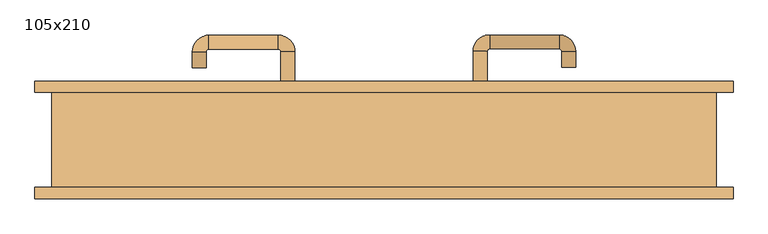
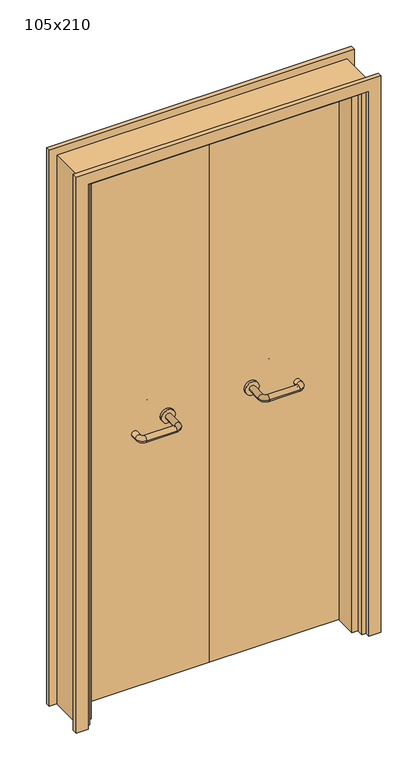
"""IFC4 building model written with IfcOpenShell, lengths in millimetres: door geometry, 105x210."""

import ifcopenshell
import ifcopenshell.guid

model = None  # the IFC model being written
_history = None  # IfcOwnerHistory: only IFC2X3 demands one
_inside = {}  # id of a spatial element -> (the spatial element, [elements in it])
_under = {}  # id of a project, library or spatial element -> (it, [spatial elements below it])
_declared = {}  # id of a project -> (the project, [libraries it declares])
_typed = {}  # id of a type object -> (the type object, [elements of that type])
_made_of = {}  # id of a material, layer set ... -> (it, [elements and type objects made of it])


def new_model(schema):
    """Start an empty IFC model of exactly this schema.

    Asked for "IFC4X3", IfcOpenShell would pick the latest addendum, in which some entities
    have other attributes; the version numbers below select the first issue.
    IFC2X3 requires an IfcOwnerHistory on every rooted entity: one is made here for all.
    """
    global model, _history
    if schema == "IFC4X3":
        model = ifcopenshell.file(schema_version=(4, 3, 0, 0))
    else:
        model = ifcopenshell.file(schema=schema)
    _inside.clear()
    _under.clear()
    _declared.clear()
    _typed.clear()
    _made_of.clear()
    _history = None
    if model.schema == "IFC2X3":
        org = make("IfcOrganization", Name="unknown")
        user = make(
            "IfcPersonAndOrganization",
            ThePerson=make("IfcPerson", FamilyName="unknown"),
            TheOrganization=org,
        )
        app = make(
            "IfcApplication",
            ApplicationDeveloper=org,
            Version="unknown",
            ApplicationFullName="unknown",
            ApplicationIdentifier="unknown",
        )
        _history = make(
            "IfcOwnerHistory",
            OwningUser=user,
            OwningApplication=app,
            ChangeAction="ADDED",
            CreationDate=0,
        )
    return model


def make(cls, **values):
    """One entity of the class cls with the attributes given. An attribute that is None is left unset."""
    return model.create_entity(
        cls, **{name: value for name, value in values.items() if value is not None}
    )


def rooted(cls, **values):
    """An entity with a GlobalId (a new one), such as an element, a storey or a relation."""
    return make(cls, GlobalId=ifcopenshell.guid.new(), OwnerHistory=_history, **values)


def si_unit(unit_type, name, prefix=None):
    """IfcSIUnit, for example si_unit("LENGTHUNIT", "METRE", prefix="MILLI")."""
    return make("IfcSIUnit", UnitType=unit_type, Prefix=prefix, Name=name)


def assignment(units):
    """IfcUnitAssignment: the units of a project."""
    return None if units is None else make("IfcUnitAssignment", Units=units)


def point(xyz):
    """IfcCartesianPoint."""
    return None if xyz is None else make("IfcCartesianPoint", Coordinates=xyz)


def direction(xyz):
    """IfcDirection."""
    return None if xyz is None else make("IfcDirection", DirectionRatios=xyz)


def frame(location, z_axis=None, x_axis=None):
    """IfcAxis2Placement3D, a coordinate frame: its origin and axes. An axis left out is left unset."""
    return make(
        "IfcAxis2Placement3D",
        Location=point(location),
        Axis=direction(z_axis),
        RefDirection=direction(x_axis),
    )


def frame_2d(location, x_axis=None):
    """IfcAxis2Placement2D, a coordinate frame in the plane: its origin and x axis."""
    return make(
        "IfcAxis2Placement2D", Location=point(location), RefDirection=direction(x_axis)
    )


def origin():
    """The frame at (0, 0, 0) with its axes left unset."""
    return frame((0.0, 0.0, 0.0))


def place(relative_to, where):
    """IfcLocalPlacement: puts the frame where relative to a parent placement (None: the world)."""
    return make(
        "IfcLocalPlacement", PlacementRelTo=relative_to, RelativePlacement=where
    )


def context(
    kind, dimensions, precision=None, world=None, true_north=None, identifier=None
):
    """IfcGeometricRepresentationContext, for example the 3D "Model" context."""
    return make(
        "IfcGeometricRepresentationContext",
        ContextIdentifier=identifier,
        ContextType=kind,
        CoordinateSpaceDimension=dimensions,
        Precision=precision,
        WorldCoordinateSystem=world,
        TrueNorth=true_north,
    )


def project(units=None, contexts=None):
    """IfcProject with its units and contexts."""
    return rooted(
        "IfcProject",
        Name="project",
        RepresentationContexts=contexts,
        UnitsInContext=assignment(units),
    )


def spatial(cls, under=None, at=None, **own):
    """A site, building, storey or space (cls), placed at a placement, below another one or the project."""
    s = rooted(cls, ObjectPlacement=at, **own)
    if under is not None:
        _under.setdefault(under.id(), (under, []))[1].append(s)
    return s


def polyline(points):
    """IfcPolyline through the points."""
    return make("IfcPolyline", Points=[point(p) for p in points])


def circle_curve(where, radius):
    """IfcCircle in the frame where."""
    return make("IfcCircle", Position=where, Radius=radius)


def ellipse_curve(where, semi_axis1, semi_axis2):
    """IfcEllipse in the frame where."""
    return make(
        "IfcEllipse", Position=where, SemiAxis1=semi_axis1, SemiAxis2=semi_axis2
    )


def trimmed(basis, trim1, trim2, sense, master):
    """IfcTrimmedCurve: the piece of a basis curve between two trims."""
    return make(
        "IfcTrimmedCurve",
        BasisCurve=basis,
        Trim1=trim1,
        Trim2=trim2,
        SenseAgreement=sense,
        MasterRepresentation=master,
    )


def segment(curve, same_sense, transition):
    """IfcCompositeCurveSegment."""
    return make(
        "IfcCompositeCurveSegment",
        Transition=transition,
        SameSense=same_sense,
        ParentCurve=curve,
    )


def composite_curve(segments, self_intersect=None):
    """IfcCompositeCurve: segments joined end to end."""
    return make("IfcCompositeCurve", Segments=segments, SelfIntersect=self_intersect)


def outline(outer, holes=None, kind="AREA"):
    """IfcArbitraryClosedProfileDef: a profile drawn as a closed curve; with holes, ...WithVoids."""
    if holes is None:
        return make("IfcArbitraryClosedProfileDef", ProfileType=kind, OuterCurve=outer)
    return make(
        "IfcArbitraryProfileDefWithVoids",
        ProfileType=kind,
        OuterCurve=outer,
        InnerCurves=holes,
    )


def extrude(swept, where, along, depth):
    """IfcExtrudedAreaSolid: the profile swept, set in the frame where, extruded along a direction by depth."""
    return make(
        "IfcExtrudedAreaSolid",
        SweptArea=swept,
        Position=where,
        ExtrudedDirection=direction(along),
        Depth=depth,
    )


def faces_of(points, faces, orient=None, outer=None):
    """IfcFace entities. A face is a list of loops; a loop is a list of indices into points, from 0.

    orient and outer hold one flag for each loop. By default every Orientation is true, the
    first loop of a face is its IfcFaceOuterBound and the others are IfcFaceBound.
    """
    made = []
    for i, loops in enumerate(faces):
        bounds = []
        for j, loop in enumerate(loops):
            is_outer = j == 0 if outer is None else outer[i][j]
            bounds.append(
                make(
                    "IfcFaceOuterBound" if is_outer else "IfcFaceBound",
                    Bound=make("IfcPolyLoop", Polygon=[points[k] for k in loop]),
                    Orientation=True if orient is None else orient[i][j],
                )
            )
        made.append(make("IfcFace", Bounds=bounds))
    return made


def faceted_brep(points, faces, orient=None, outer=None, voids=None):
    """IfcFacetedBrep: a solid bounded by flat faces; with voids (closed shells), ...WithVoids."""
    shared = [point(p) for p in points]
    hull = make("IfcClosedShell", CfsFaces=faces_of(shared, faces, orient, outer))
    if voids is None:
        return make("IfcFacetedBrep", Outer=hull)
    return make(
        "IfcFacetedBrepWithVoids",
        Outer=hull,
        Voids=[
            make(cls, CfsFaces=faces_of(shared, fs, o, b)) for cls, fs, o, b in voids
        ],
    )


def shape(context_of_items, identifier, shape_type, items):
    """IfcShapeRepresentation: the items that make up one representation, for example the "Body"."""
    return make(
        "IfcShapeRepresentation",
        ContextOfItems=context_of_items,
        RepresentationIdentifier=identifier,
        RepresentationType=shape_type,
        Items=items,
    )


def source(mapping_origin, context_of_items, identifier, shape_type, items):
    """IfcRepresentationMap: a shape defined once, which mapped items show again and again."""
    return make(
        "IfcRepresentationMap",
        MappingOrigin=mapping_origin,
        MappedRepresentation=shape(context_of_items, identifier, shape_type, items),
    )


def transform(
    local_origin,
    x_axis=None,
    y_axis=None,
    z_axis=None,
    scale=None,
    scale2=None,
    scale3=None,
    uniform=True,
):
    """IfcCartesianTransformationOperator3D, or its non-uniform kind. x_axis, y_axis, z_axis: its Axis1, 2, 3."""
    if uniform:
        return make(
            "IfcCartesianTransformationOperator3D",
            Axis1=direction(x_axis),
            Axis2=direction(y_axis),
            LocalOrigin=point(local_origin),
            Scale=scale,
            Axis3=direction(z_axis),
        )
    return make(
        "IfcCartesianTransformationOperator3DnonUniform",
        Axis1=direction(x_axis),
        Axis2=direction(y_axis),
        LocalOrigin=point(local_origin),
        Scale=scale,
        Axis3=direction(z_axis),
        Scale2=scale2,
        Scale3=scale3,
    )


def mapped(mapping_source, mapping_target):
    """IfcMappedItem: shows the shape of a source again, moved by a transform."""
    return make(
        "IfcMappedItem", MappingSource=mapping_source, MappingTarget=mapping_target
    )


def made_of(thing, what):
    """Note that an element or type object is made of a material, layer set ...; save() writes the relation."""
    if what is not None:
        _made_of.setdefault(what.id(), (what, []))[1].append(thing)
    return thing


def element(
    cls,
    number,
    at=None,
    inside=None,
    cuts=None,
    type_object=None,
    material=None,
    context=None,
    identifier="Body",
    shape_type=None,
    held_by="IfcProductDefinitionShape",
    body=None,
    shapes=None,
    **own,
):
    """One element of the class cls, such as IfcWall. Its Tag is "e" and its number.

    at: its placement. inside: the storey or other place that contains it. cuts: it is an
    opening in that element (IfcRelVoidsElement). A single representation is given by context,
    identifier, shape_type and body (its items); several are given by shapes. held_by: the class
    of the entity that holds the representations. save() writes the other relations.
    """
    e = rooted(cls, Tag="e%d" % number, ObjectPlacement=at, **own)
    if body is not None:
        shapes = [shape(context, identifier, shape_type, body)]
    if shapes is not None:
        e.Representation = make(held_by, Representations=shapes)
    if inside is not None:
        _inside.setdefault(inside.id(), (inside, []))[1].append(e)
    if cuts is not None:
        rooted(
            "IfcRelVoidsElement", RelatingBuildingElement=cuts, RelatedOpeningElement=e
        )
    if type_object is not None:
        _typed.setdefault(type_object.id(), (type_object, []))[1].append(e)
    return made_of(e, material)


def aggregate(whole, parts):
    """IfcRelAggregates: a whole, such as a stair, and the parts it consists of."""
    return rooted("IfcRelAggregates", RelatingObject=whole, RelatedObjects=parts)


def save(model, path):
    """Write the relations noted so far, then the file.

    IfcRelAggregates (storeys below a building ...), IfcRelContainedInSpatialStructure (elements
    in a storey), IfcRelDefinesByType, IfcRelAssociatesMaterial and IfcRelDeclares: one each for
    every whole, place, type object, material and project.
    """
    for whole, parts in _under.values():
        aggregate(whole, parts)
    for where, things in _inside.values():
        rooted(
            "IfcRelContainedInSpatialStructure",
            RelatedElements=things,
            RelatingStructure=where,
        )
    for kind, things in _typed.values():
        rooted("IfcRelDefinesByType", RelatedObjects=things, RelatingType=kind)
    for what, things in _made_of.values():
        rooted("IfcRelAssociatesMaterial", RelatedObjects=things, RelatingMaterial=what)
    for by, libraries in _declared.values():
        rooted("IfcRelDeclares", RelatingContext=by, RelatedDefinitions=libraries)
    model.write(path)


def plane_surface(at):
    """IfcPlane: the flat surface through the origin of the frame at, square to its z axis."""
    return make("IfcPlane", Position=at)


def cylinder_surface(at, radius):
    """IfcCylindricalSurface: all points at the distance radius from the z axis of the frame at."""
    return make("IfcCylindricalSurface", Position=at, Radius=radius)


def revolved_surface(curve, axis_point, axis_direction):
    """IfcSurfaceOfRevolution: the curve turned about the line through axis_point along axis_direction."""
    return make(
        "IfcSurfaceOfRevolution",
        SweptCurve=make("IfcArbitraryOpenProfileDef", ProfileType="CURVE", Curve=curve),
        AxisPosition=make("IfcAxis1Placement", Location=point(axis_point), Axis=direction(axis_direction)),
    )


def advanced_brep(points, edges, surfaces, faces):
    """IfcAdvancedBrep: a solid bounded by faces that lie on surfaces and meet in shared edges.

    An edge is (start, end): straight between two places in points (the first is 0);
    or (start, end, curve); or (start, end, curve, False) where it runs against its curve.
    A face is (place in surfaces, loops), or (place, loops, False) where it looks against
    its surface's normal. A loop lists edges by number (the first is 1), with a minus sign
    where the edge is run from its end to its start. The first loop is the outer one.
    """
    corners = [point(p) for p in points]
    vertices = [make("IfcVertexPoint", VertexGeometry=c) for c in corners]
    made = []
    for start, end, *more in edges:
        made.append(
            make(
                "IfcEdgeCurve",
                EdgeStart=vertices[start],
                EdgeEnd=vertices[end],
                EdgeGeometry=more[0] if more else make("IfcPolyline", Points=[corners[start], corners[end]]),
                SameSense=more[1] if len(more) > 1 else True,
            )
        )
    hull = []
    for where, loops, *sense in faces:
        bounds = []
        for j, loop in enumerate(loops):
            ring = [make("IfcOrientedEdge", EdgeElement=made[abs(k) - 1], Orientation=k > 0) for k in loop]
            bounds.append(
                make(
                    "IfcFaceOuterBound" if j == 0 else "IfcFaceBound",
                    Bound=make("IfcEdgeLoop", EdgeList=ring),
                    Orientation=True,
                )
            )
        hull.append(make("IfcAdvancedFace", Bounds=bounds, FaceSurface=surfaces[where], SameSense=sense[0] if sense else True))
    return make("IfcAdvancedBrep", Outer=make("IfcClosedShell", CfsFaces=hull))


def door_105x210_c1347715(model_context):
    return source(origin(), model_context, "Body", "SolidModel", [
        faceted_brep([(-472.0, 28.0, 0.0), (-472.0, -50.0, 0.0), (-493.0, -50.0, 0.0), (-493.0, 28.0, 0.0), (-472.0, 28.0, 2047.0), (-472.0, -50.0, 2047.0), (-493.0, -50.0, 2068.0), (-493.0, 28.0, 2068.0), (472.0, 28.0, 0.0), (493.0, 28.0, 0.0), (493.0, -50.0, 0.0), (472.0, -50.0, 0.0), (472.0, 28.0, 2047.0), (493.0, 28.0, 2068.0), (493.0, -50.0, 2068.0), (472.0, -50.0, 2047.0)], [[[0, 1, 2, 3]], [[1, 0, 4, 5]], [[2, 1, 5, 6]], [[3, 2, 6, 7]], [[0, 3, 7, 4]], [[8, 9, 10, 11]], [[12, 13, 9, 8]], [[13, 14, 10, 9]], [[14, 15, 11, 10]], [[15, 12, 8, 11]], [[5, 4, 12, 15]], [[6, 5, 15, 14]], [[7, 6, 14, 13]], [[4, 7, 13, 12]]]),
        extrude(outline(polyline([(2127.0, 552.0), (2127.0, -552.0), (0.0, -552.0), (0.0, -508.0), (2083.0, -508.0), (2083.0, 508.0), (0.0, 508.0), (0.0, 552.0), (2127.0, 552.0)])), frame((0.0, 75.0, 0.0), z_axis=(0.0, 1.0, 0.0), x_axis=(0.0, 0.0, 1.0)), (0.0, 0.0, 1.0), 18.0),
        extrude(outline(polyline([(2127.0, -552.0), (0.0, -552.0), (0.0, -508.0), (2083.0, -508.0), (2083.0, 508.0), (0.0, 508.0), (0.0, 552.0), (2127.0, 552.0), (2127.0, -552.0)])), frame((0.0, -93.0, 0.0), z_axis=(0.0, 1.0, 0.0), x_axis=(0.0, 0.0, 1.0)), (0.0, 0.0, 1.0), 18.0),
        extrude(outline(polyline([(2100.0, -525.0), (0.0, -525.0), (0.0, -493.0), (2068.0, -493.0), (2068.0, 493.0), (0.0, 493.0), (0.0, 525.0), (2100.0, 525.0), (2100.0, -525.0)])), frame((0.0, -75.0, 0.0), z_axis=(0.0, 1.0, 0.0), x_axis=(0.0, 0.0, 1.0)), (0.0, 0.0, 1.0), 150.0),
        extrude(outline(polyline([(1.0739506, 31.0), (-490.0, 31.0), (-490.0, 75.0), (1.0739506, 75.0), (1.0739506, 31.0)])), frame((0.0, 0.0, 1.753223), z_axis=(0.0, 0.0, 1.0), x_axis=(1.0, 0.0, 0.0)), (0.0, 0.0, 1.0), 2057.246777),
        extrude(outline(polyline([(490.0, 31.0), (1.0739506, 31.0), (1.0739506, 75.0), (490.0, 75.0), (490.0, 31.0)])), frame((0.0, 0.0, 1.753223), z_axis=(0.0, 0.0, 1.0), x_axis=(1.0, 0.0, 0.0)), (0.0, 0.0, 1.0), 2066.246777),
        extrude(outline(polyline([(2100.0, -525.0), (0.0, -525.0), (0.0, -493.0), (2068.0, -493.0), (2068.0, 493.0), (0.0, 493.0), (0.0, 525.0), (2100.0, 525.0), (2100.0, -525.0)])), frame((0.0, -75.0, 0.0), z_axis=(0.0, 1.0, 0.0), x_axis=(0.0, 0.0, 1.0)), (0.0, 0.0, 1.0), 150.0),
        advanced_brep(
        [(140.99898, 21.0, 1003.0), (162.99898, 21.0, 1003.0), (140.99898, -34.3525369, 1003.0), (162.99898, -34.3525369, 1003.0), (166.99898, -38.3525369, 1003.0), (166.99898, -60.3525369, 1003.0), (276.99898, -60.3525369, 1003.0), (276.99898, -38.3525369, 1003.0), (280.99898, -34.3525369, 1003.0), (302.99898, -34.3525369, 1003.0), (302.99898, -17.0, 1003.0), (280.99898, -17.0, 1003.0)],
        [
            (0, 1, circle_curve(frame((151.99898, 21.0, 1003.0), z_axis=(0.0, 1.0, 0.0), x_axis=(1.0, 0.0, 0.0)), 11.0)),
            (1, 0, circle_curve(frame((151.99898, 21.0, 1003.0), z_axis=(0.0, 1.0, 0.0), x_axis=(1.0, 0.0, 0.0)), 11.0)),
            (0, 2),
            (2, 3, circle_curve(frame((151.99898, -34.3525369, 1003.0), z_axis=(0.0, 1.0, 0.0), x_axis=(1.0, 0.0, 0.0)), 11.0)),
            (3, 1),
            (3, 2, circle_curve(frame((151.99898, -34.3525369, 1003.0), z_axis=(0.0, 1.0, 0.0), x_axis=(1.0, 0.0, 0.0)), 11.0)),
            (4, 3, circle_curve(frame((166.99898, -34.3525369, 1003.0), z_axis=(0.0, 0.0, -1.0), x_axis=(-1.0, 0.0, 0.0)), 4.0)),
            (2, 5, circle_curve(frame((166.99898, -34.3525369, 1003.0), z_axis=(0.0, 0.0, 1.0), x_axis=(-1.0, 0.0, 0.0)), 26.0)),
            (5, 4, circle_curve(frame((166.99898, -49.3525369, 1003.0), z_axis=(-1.0, 0.0, 0.0), x_axis=(0.0, 1.0, 0.0)), 11.0)),
            (4, 5, circle_curve(frame((166.99898, -49.3525369, 1003.0), z_axis=(-1.0, 0.0, 0.0), x_axis=(0.0, 1.0, 0.0)), 11.0)),
            (5, 6),
            (6, 7, circle_curve(frame((276.99898, -49.3525369, 1003.0), z_axis=(-1.0, 0.0, 0.0), x_axis=(0.0, 1.0, 0.0)), 11.0)),
            (7, 4),
            (7, 6, circle_curve(frame((276.99898, -49.3525369, 1003.0), z_axis=(-1.0, 0.0, 0.0), x_axis=(0.0, 1.0, 0.0)), 11.0)),
            (8, 7, circle_curve(frame((276.99898, -34.3525369, 1003.0), z_axis=(0.0, 0.0, -1.0), x_axis=(0.0, -1.0, 0.0)), 4.0)),
            (6, 9, circle_curve(frame((276.99898, -34.3525369, 1003.0), z_axis=(0.0, 0.0, 1.0), x_axis=(0.0, -1.0, 0.0)), 26.0)),
            (9, 8, circle_curve(frame((291.99898, -34.3525369, 1003.0), z_axis=(0.0, -1.0, 0.0), x_axis=(-1.0, 0.0, 0.0)), 11.0)),
            (8, 9, circle_curve(frame((291.99898, -34.3525369, 1003.0), z_axis=(0.0, -1.0, 0.0), x_axis=(-1.0, 0.0, 0.0)), 11.0)),
            (10, 11, circle_curve(frame((291.99898, -17.0, 1003.0), z_axis=(0.0, 1.0, 0.0), x_axis=(-1.0, 0.0, 0.0)), 11.0)),
            (11, 10, circle_curve(frame((291.99898, -17.0, 1003.0), z_axis=(0.0, 1.0, 0.0), x_axis=(-1.0, 0.0, 0.0)), 11.0)),
            (9, 10),
            (11, 8),
        ],
        [
            plane_surface(frame((140.99898, 21.0, 1003.0), z_axis=(0.0, 1.0, 0.0), x_axis=(0.0, 0.0, -1.0))),
            cylinder_surface(frame((151.99898, 21.0, 1003.0), z_axis=(0.0, 1.0, 0.0), x_axis=(1.0, 0.0, 0.0)), 11.0),
            revolved_surface(trimmed(ellipse_curve(frame((151.99898, -34.3525369, 1003.0), z_axis=(0.0, 1.0, 0.0), x_axis=(1.0, 0.0, 0.0)), 11.0, 11.0), [point((140.99898, -34.3525369, 1003.0))], [point((162.99898, -34.3525369, 1003.0))], True, "CARTESIAN"), (166.99898, -34.3525369, 1003.0), (0.0, 0.0, 1.0)),
            revolved_surface(trimmed(ellipse_curve(frame((151.99898, -34.3525369, 1003.0), z_axis=(0.0, 1.0, 0.0), x_axis=(1.0, 0.0, 0.0)), 11.0, 11.0), [point((162.99898, -34.3525369, 1003.0))], [point((140.99898, -34.3525369, 1003.0))], True, "CARTESIAN"), (166.99898, -34.3525369, 1003.0), (0.0, 0.0, 1.0)),
            cylinder_surface(frame((166.99898, -49.3525369, 1003.0), z_axis=(-1.0, 0.0, 0.0), x_axis=(0.0, 1.0, 0.0)), 11.0),
            revolved_surface(trimmed(ellipse_curve(frame((276.99898, -49.3525369, 1003.0), z_axis=(-1.0, 0.0, 0.0), x_axis=(0.0, 1.0, 0.0)), 11.0, 11.0), [point((276.99898, -60.3525369, 1003.0))], [point((276.99898, -38.3525369, 1003.0))], True, "CARTESIAN"), (276.99898, -34.3525369, 1003.0), (0.0, 0.0, 1.0)),
            revolved_surface(trimmed(ellipse_curve(frame((276.99898, -49.3525369, 1003.0), z_axis=(-1.0, 0.0, 0.0), x_axis=(0.0, 1.0, 0.0)), 11.0, 11.0), [point((276.99898, -38.3525369, 1003.0))], [point((276.99898, -60.3525369, 1003.0))], True, "CARTESIAN"), (276.99898, -34.3525369, 1003.0), (0.0, 0.0, 1.0)),
            plane_surface(frame((280.99898, -17.0, 1003.0), z_axis=(0.0, 1.0, 0.0), x_axis=(0.0, 0.0, 1.0))),
            cylinder_surface(frame((291.99898, -34.3525369, 1003.0), z_axis=(0.0, -1.0, 0.0), x_axis=(-1.0, 0.0, 0.0)), 11.0),
        ],
        [
            (0, [[1, 2]]),
            (1, [[-1, 3, 4, 5]]),
            (1, [[-2, -5, 6, -3]]),
            (2, [[7, -4, 8, 9]]),
            (3, [[-8, -6, -7, 10]]),
            (4, [[-9, 11, 12, 13]]),
            (4, [[-10, -13, 14, -11]]),
            (5, [[15, -12, 16, 17]]),
            (6, [[-16, -14, -15, 18]]),
            (7, [[19, 20]]),
            (8, [[-17, 21, -20, 22]]),
            (8, [[-18, -22, -19, -21]]),
        ],
    ),
        extrude(outline(composite_curve([segment(trimmed(circle_curve(frame_2d((1003.0, 151.99898)), 25.0), [point((1003.0, 126.99898))], [point((1003.0, 176.99898))], False, "CARTESIAN"), True, "CONTINUOUS"), segment(trimmed(circle_curve(frame_2d((1003.0, 151.99898)), 25.0), [point((1003.0, 176.99898))], [point((1003.0, 126.99898))], False, "CARTESIAN"), True, "CONTINUOUS")], self_intersect=False)), frame((0.0, 21.0, 0.0), z_axis=(0.0, 1.0, 0.0), x_axis=(0.0, 0.0, 1.0)), (0.0, 0.0, 1.0), 10.0),
        advanced_brep(
        [(162.99898, 85.0, 1003.0), (140.99898, 85.0, 1003.0), (162.99898, 140.0, 1003.0), (140.99898, 140.0, 1003.0), (166.99898, 166.0, 1003.0), (166.99898, 144.0, 1003.0), (276.99898, 144.0, 1003.0), (276.99898, 166.0, 1003.0), (302.99898, 140.0, 1003.0), (280.99898, 140.0, 1003.0), (280.99898, 115.0, 1003.0), (302.99898, 115.0, 1003.0)],
        [
            (0, 1, circle_curve(frame((151.99898, 85.0, 1003.0), z_axis=(0.0, -1.0, 0.0), x_axis=(-1.0, 0.0, 0.0)), 11.0)),
            (1, 0, circle_curve(frame((151.99898, 85.0, 1003.0), z_axis=(0.0, -1.0, 0.0), x_axis=(-1.0, 0.0, 0.0)), 11.0)),
            (0, 2),
            (2, 3, circle_curve(frame((151.99898, 140.0, 1003.0), z_axis=(0.0, -1.0, 0.0), x_axis=(-1.0, 0.0, 0.0)), 11.0)),
            (3, 1),
            (3, 2, circle_curve(frame((151.99898, 140.0, 1003.0), z_axis=(0.0, -1.0, 0.0), x_axis=(-1.0, 0.0, 0.0)), 11.0)),
            (4, 3, circle_curve(frame((166.99898, 140.0, 1003.0), z_axis=(0.0, 0.0, 1.0), x_axis=(-1.0, 0.0, 0.0)), 26.0)),
            (2, 5, circle_curve(frame((166.99898, 140.0, 1003.0), z_axis=(0.0, 0.0, -1.0), x_axis=(-1.0, 0.0, 0.0)), 4.0)),
            (5, 4, circle_curve(frame((166.99898, 155.0, 1003.0), z_axis=(-1.0, 0.0, 0.0), x_axis=(0.0, 1.0, 0.0)), 11.0)),
            (4, 5, circle_curve(frame((166.99898, 155.0, 1003.0), z_axis=(-1.0, 0.0, 0.0), x_axis=(0.0, 1.0, 0.0)), 11.0)),
            (5, 6),
            (6, 7, circle_curve(frame((276.99898, 155.0, 1003.0), z_axis=(-1.0, 0.0, 0.0), x_axis=(0.0, 1.0, 0.0)), 11.0)),
            (7, 4),
            (7, 6, circle_curve(frame((276.99898, 155.0, 1003.0), z_axis=(-1.0, 0.0, 0.0), x_axis=(0.0, 1.0, 0.0)), 11.0)),
            (8, 7, circle_curve(frame((276.99898, 140.0, 1003.0), z_axis=(0.0, 0.0, 1.0), x_axis=(0.0, 1.0, 0.0)), 26.0)),
            (6, 9, circle_curve(frame((276.99898, 140.0, 1003.0), z_axis=(0.0, 0.0, -1.0), x_axis=(0.0, 1.0, 0.0)), 4.0)),
            (9, 8, circle_curve(frame((291.99898, 140.0, 1003.0), z_axis=(0.0, 1.0, 0.0), x_axis=(1.0, 0.0, 0.0)), 11.0)),
            (8, 9, circle_curve(frame((291.99898, 140.0, 1003.0), z_axis=(0.0, 1.0, 0.0), x_axis=(1.0, 0.0, 0.0)), 11.0)),
            (10, 11, circle_curve(frame((291.99898, 115.0, 1003.0), z_axis=(0.0, -1.0, 0.0), x_axis=(1.0, 0.0, 0.0)), 11.0)),
            (11, 10, circle_curve(frame((291.99898, 115.0, 1003.0), z_axis=(0.0, -1.0, 0.0), x_axis=(1.0, 0.0, 0.0)), 11.0)),
            (9, 10),
            (11, 8),
        ],
        [
            plane_surface(frame((140.99898, 85.0, 1003.0), z_axis=(0.0, -1.0, 0.0), x_axis=(0.0, 0.0, 1.0))),
            cylinder_surface(frame((151.99898, 85.0, 1003.0), z_axis=(0.0, -1.0, 0.0), x_axis=(-1.0, 0.0, 0.0)), 11.0),
            revolved_surface(trimmed(ellipse_curve(frame((151.99898, 140.0, 1003.0), z_axis=(0.0, -1.0, 0.0), x_axis=(-1.0, 0.0, 0.0)), 11.0, 11.0), [point((162.99898, 140.0, 1003.0))], [point((140.99898, 140.0, 1003.0))], True, "CARTESIAN"), (166.99898, 140.0, 1003.0), (0.0, 0.0, -1.0)),
            revolved_surface(trimmed(ellipse_curve(frame((151.99898, 140.0, 1003.0), z_axis=(0.0, -1.0, 0.0), x_axis=(-1.0, 0.0, 0.0)), 11.0, 11.0), [point((140.99898, 140.0, 1003.0))], [point((162.99898, 140.0, 1003.0))], True, "CARTESIAN"), (166.99898, 140.0, 1003.0), (0.0, 0.0, -1.0)),
            cylinder_surface(frame((166.99898, 155.0, 1003.0), z_axis=(-1.0, 0.0, 0.0), x_axis=(0.0, 1.0, 0.0)), 11.0),
            revolved_surface(trimmed(ellipse_curve(frame((276.99898, 155.0, 1003.0), z_axis=(-1.0, 0.0, 0.0), x_axis=(0.0, 1.0, 0.0)), 11.0, 11.0), [point((276.99898, 144.0, 1003.0))], [point((276.99898, 166.0, 1003.0))], True, "CARTESIAN"), (276.99898, 140.0, 1003.0), (0.0, 0.0, -1.0)),
            revolved_surface(trimmed(ellipse_curve(frame((276.99898, 155.0, 1003.0), z_axis=(-1.0, 0.0, 0.0), x_axis=(0.0, 1.0, 0.0)), 11.0, 11.0), [point((276.99898, 166.0, 1003.0))], [point((276.99898, 144.0, 1003.0))], True, "CARTESIAN"), (276.99898, 140.0, 1003.0), (0.0, 0.0, -1.0)),
            plane_surface(frame((280.99898, 115.0, 1003.0), z_axis=(0.0, -1.0, 0.0), x_axis=(0.0, 0.0, -1.0))),
            cylinder_surface(frame((291.99898, 140.0, 1003.0), z_axis=(0.0, 1.0, 0.0), x_axis=(1.0, 0.0, 0.0)), 11.0),
        ],
        [
            (0, [[1, 2]]),
            (1, [[-1, 3, 4, 5]]),
            (1, [[-2, -5, 6, -3]]),
            (2, [[7, -4, 8, 9]]),
            (3, [[-8, -6, -7, 10]]),
            (4, [[-9, 11, 12, 13]]),
            (4, [[-10, -13, 14, -11]]),
            (5, [[15, -12, 16, 17]]),
            (6, [[-16, -14, -15, 18]]),
            (7, [[19, 20]]),
            (8, [[-17, 21, -20, 22]]),
            (8, [[-18, -22, -19, -21]]),
        ],
    ),
        extrude(outline(composite_curve([segment(trimmed(circle_curve(frame_2d((1003.0, 151.99898)), 25.0), [point((1003.0, 176.99898))], [point((1003.0, 126.99898))], False, "CARTESIAN"), True, "CONTINUOUS"), segment(trimmed(circle_curve(frame_2d((1003.0, 151.99898)), 25.0), [point((1003.0, 126.99898))], [point((1003.0, 176.99898))], False, "CARTESIAN"), True, "CONTINUOUS")], self_intersect=False)), frame((0.0, 75.0, 0.0), z_axis=(0.0, 1.0, 0.0), x_axis=(0.0, 0.0, 1.0)), (0.0, 0.0, 1.0), 10.0),
        advanced_brep(
        [(-162.99898, 20.6886121, 1003.0), (-140.99898, 20.6886121, 1003.0), (-162.99898, -34.7220447, 1003.0), (-140.99898, -34.7220447, 1003.0), (-166.99898, -60.7220447, 1003.0), (-166.99898, -38.7220447, 1003.0), (-276.99898, -38.7220447, 1003.0), (-276.99898, -60.7220447, 1003.0), (-302.99898, -34.7220447, 1003.0), (-280.99898, -34.7220447, 1003.0), (-280.99898, -9.7220447, 1003.0), (-302.99898, -9.7220447, 1003.0)],
        [
            (0, 1, circle_curve(frame((-151.99898, 20.6886121, 1003.0), z_axis=(0.0, 1.0, 0.0), x_axis=(1.0, 0.0, 0.0)), 11.0)),
            (1, 0, circle_curve(frame((-151.99898, 20.6886121, 1003.0), z_axis=(0.0, 1.0, 0.0), x_axis=(1.0, 0.0, 0.0)), 11.0)),
            (0, 2),
            (2, 3, circle_curve(frame((-151.99898, -34.7220447, 1003.0), z_axis=(0.0, 1.0, 0.0), x_axis=(1.0, 0.0, 0.0)), 11.0)),
            (3, 1),
            (3, 2, circle_curve(frame((-151.99898, -34.7220447, 1003.0), z_axis=(0.0, 1.0, 0.0), x_axis=(1.0, 0.0, 0.0)), 11.0)),
            (4, 3, circle_curve(frame((-166.99898, -34.7220447, 1003.0), z_axis=(0.0, 0.0, 1.0), x_axis=(1.0, 0.0, 0.0)), 26.0)),
            (2, 5, circle_curve(frame((-166.99898, -34.7220447, 1003.0), z_axis=(0.0, 0.0, -1.0), x_axis=(1.0, 0.0, 0.0)), 4.0)),
            (5, 4, circle_curve(frame((-166.99898, -49.7220447, 1003.0), z_axis=(1.0, 0.0, 0.0), x_axis=(0.0, -1.0, 0.0)), 11.0)),
            (4, 5, circle_curve(frame((-166.99898, -49.7220447, 1003.0), z_axis=(1.0, 0.0, 0.0), x_axis=(0.0, -1.0, 0.0)), 11.0)),
            (5, 6),
            (6, 7, circle_curve(frame((-276.99898, -49.7220447, 1003.0), z_axis=(1.0, 0.0, 0.0), x_axis=(0.0, -1.0, 0.0)), 11.0)),
            (7, 4),
            (7, 6, circle_curve(frame((-276.99898, -49.7220447, 1003.0), z_axis=(1.0, 0.0, 0.0), x_axis=(0.0, -1.0, 0.0)), 11.0)),
            (8, 7, circle_curve(frame((-276.99898, -34.7220447, 1003.0), z_axis=(0.0, 0.0, 1.0), x_axis=(0.0, -1.0, 0.0)), 26.0)),
            (6, 9, circle_curve(frame((-276.99898, -34.7220447, 1003.0), z_axis=(0.0, 0.0, -1.0), x_axis=(0.0, -1.0, 0.0)), 4.0)),
            (9, 8, circle_curve(frame((-291.99898, -34.7220447, 1003.0), z_axis=(0.0, -1.0, 0.0), x_axis=(-1.0, 0.0, 0.0)), 11.0)),
            (8, 9, circle_curve(frame((-291.99898, -34.7220447, 1003.0), z_axis=(0.0, -1.0, 0.0), x_axis=(-1.0, 0.0, 0.0)), 11.0)),
            (10, 11, circle_curve(frame((-291.99898, -9.7220447, 1003.0), z_axis=(0.0, 1.0, 0.0), x_axis=(-1.0, 0.0, 0.0)), 11.0)),
            (11, 10, circle_curve(frame((-291.99898, -9.7220447, 1003.0), z_axis=(0.0, 1.0, 0.0), x_axis=(-1.0, 0.0, 0.0)), 11.0)),
            (9, 10),
            (11, 8),
        ],
        [
            plane_surface(frame((-162.99898, 20.6886121, 1003.0), z_axis=(0.0, 1.0, 0.0), x_axis=(0.0, 0.0, -1.0))),
            cylinder_surface(frame((-151.99898, 20.6886121, 1003.0), z_axis=(0.0, 1.0, 0.0), x_axis=(1.0, 0.0, 0.0)), 11.0),
            revolved_surface(trimmed(ellipse_curve(frame((-151.99898, -34.7220447, 1003.0), z_axis=(0.0, 1.0, 0.0), x_axis=(1.0, 0.0, 0.0)), 11.0, 11.0), [point((-162.99898, -34.7220447, 1003.0))], [point((-140.99898, -34.7220447, 1003.0))], True, "CARTESIAN"), (-166.99898, -34.7220447, 1003.0), (0.0, 0.0, -1.0)),
            revolved_surface(trimmed(ellipse_curve(frame((-151.99898, -34.7220447, 1003.0), z_axis=(0.0, 1.0, 0.0), x_axis=(1.0, 0.0, 0.0)), 11.0, 11.0), [point((-140.99898, -34.7220447, 1003.0))], [point((-162.99898, -34.7220447, 1003.0))], True, "CARTESIAN"), (-166.99898, -34.7220447, 1003.0), (0.0, 0.0, -1.0)),
            cylinder_surface(frame((-166.99898, -49.7220447, 1003.0), z_axis=(1.0, 0.0, 0.0), x_axis=(0.0, -1.0, 0.0)), 11.0),
            revolved_surface(trimmed(ellipse_curve(frame((-276.99898, -49.7220447, 1003.0), z_axis=(1.0, 0.0, 0.0), x_axis=(0.0, -1.0, 0.0)), 11.0, 11.0), [point((-276.99898, -38.7220447, 1003.0))], [point((-276.99898, -60.7220447, 1003.0))], True, "CARTESIAN"), (-276.99898, -34.7220447, 1003.0), (0.0, 0.0, -1.0)),
            revolved_surface(trimmed(ellipse_curve(frame((-276.99898, -49.7220447, 1003.0), z_axis=(1.0, 0.0, 0.0), x_axis=(0.0, -1.0, 0.0)), 11.0, 11.0), [point((-276.99898, -60.7220447, 1003.0))], [point((-276.99898, -38.7220447, 1003.0))], True, "CARTESIAN"), (-276.99898, -34.7220447, 1003.0), (0.0, 0.0, -1.0)),
            plane_surface(frame((-302.99898, -9.7220447, 1003.0), z_axis=(0.0, 1.0, 0.0), x_axis=(0.0, 0.0, 1.0))),
            cylinder_surface(frame((-291.99898, -34.7220447, 1003.0), z_axis=(0.0, -1.0, 0.0), x_axis=(-1.0, 0.0, 0.0)), 11.0),
        ],
        [
            (0, [[1, 2]]),
            (1, [[-1, 3, 4, 5]]),
            (1, [[-2, -5, 6, -3]]),
            (2, [[7, -4, 8, 9]]),
            (3, [[-8, -6, -7, 10]]),
            (4, [[-9, 11, 12, 13]]),
            (4, [[-10, -13, 14, -11]]),
            (5, [[15, -12, 16, 17]]),
            (6, [[-16, -14, -15, 18]]),
            (7, [[19, 20]]),
            (8, [[-17, 21, -20, 22]]),
            (8, [[-18, -22, -19, -21]]),
        ],
    ),
        extrude(outline(composite_curve([segment(trimmed(circle_curve(frame_2d((1003.0, -151.99898)), 25.0), [point((1003.0, -176.99898))], [point((1003.0, -126.99898))], False, "CARTESIAN"), True, "CONTINUOUS"), segment(trimmed(circle_curve(frame_2d((1003.0, -151.99898)), 25.0), [point((1003.0, -126.99898))], [point((1003.0, -176.99898))], False, "CARTESIAN"), True, "CONTINUOUS")], self_intersect=False)), frame((0.0, 20.6886121, 0.0), z_axis=(0.0, 1.0, 0.0), x_axis=(0.0, 0.0, 1.0)), (0.0, 0.0, 1.0), 10.3113879),
        advanced_brep(
        [(-140.99898, 84.5143417, 1003.0), (-162.99898, 84.5143417, 1003.0), (-140.99898, 139.6104656, 1003.0), (-162.99898, 139.6104656, 1003.0), (-166.99898, 143.6104656, 1003.0), (-166.99898, 165.6104656, 1003.0), (-276.99898, 165.6104656, 1003.0), (-276.99898, 143.6104656, 1003.0), (-280.99898, 139.6104656, 1003.0), (-302.99898, 139.6104656, 1003.0), (-302.99898, 114.6104656, 1003.0), (-280.99898, 114.6104656, 1003.0)],
        [
            (0, 1, circle_curve(frame((-151.99898, 84.5143417, 1003.0), z_axis=(0.0, -1.0, 0.0), x_axis=(-1.0, 0.0, 0.0)), 11.0)),
            (1, 0, circle_curve(frame((-151.99898, 84.5143417, 1003.0), z_axis=(0.0, -1.0, 0.0), x_axis=(-1.0, 0.0, 0.0)), 11.0)),
            (0, 2),
            (2, 3, circle_curve(frame((-151.99898, 139.6104656, 1003.0), z_axis=(0.0, -1.0, 0.0), x_axis=(-1.0, 0.0, 0.0)), 11.0)),
            (3, 1),
            (3, 2, circle_curve(frame((-151.99898, 139.6104656, 1003.0), z_axis=(0.0, -1.0, 0.0), x_axis=(-1.0, 0.0, 0.0)), 11.0)),
            (4, 3, circle_curve(frame((-166.99898, 139.6104656, 1003.0), z_axis=(0.0, 0.0, -1.0), x_axis=(1.0, 0.0, 0.0)), 4.0)),
            (2, 5, circle_curve(frame((-166.99898, 139.6104656, 1003.0), z_axis=(0.0, 0.0, 1.0), x_axis=(1.0, 0.0, 0.0)), 26.0)),
            (5, 4, circle_curve(frame((-166.99898, 154.6104656, 1003.0), z_axis=(1.0, 0.0, 0.0), x_axis=(0.0, -1.0, 0.0)), 11.0)),
            (4, 5, circle_curve(frame((-166.99898, 154.6104656, 1003.0), z_axis=(1.0, 0.0, 0.0), x_axis=(0.0, -1.0, 0.0)), 11.0)),
            (5, 6),
            (6, 7, circle_curve(frame((-276.99898, 154.6104656, 1003.0), z_axis=(1.0, 0.0, 0.0), x_axis=(0.0, -1.0, 0.0)), 11.0)),
            (7, 4),
            (7, 6, circle_curve(frame((-276.99898, 154.6104656, 1003.0), z_axis=(1.0, 0.0, 0.0), x_axis=(0.0, -1.0, 0.0)), 11.0)),
            (8, 7, circle_curve(frame((-276.99898, 139.6104656, 1003.0), z_axis=(0.0, 0.0, -1.0), x_axis=(0.0, 1.0, 0.0)), 4.0)),
            (6, 9, circle_curve(frame((-276.99898, 139.6104656, 1003.0), z_axis=(0.0, 0.0, 1.0), x_axis=(0.0, 1.0, 0.0)), 26.0)),
            (9, 8, circle_curve(frame((-291.99898, 139.6104656, 1003.0), z_axis=(0.0, 1.0, 0.0), x_axis=(1.0, 0.0, 0.0)), 11.0)),
            (8, 9, circle_curve(frame((-291.99898, 139.6104656, 1003.0), z_axis=(0.0, 1.0, 0.0), x_axis=(1.0, 0.0, 0.0)), 11.0)),
            (10, 11, circle_curve(frame((-291.99898, 114.6104656, 1003.0), z_axis=(0.0, -1.0, 0.0), x_axis=(1.0, 0.0, 0.0)), 11.0)),
            (11, 10, circle_curve(frame((-291.99898, 114.6104656, 1003.0), z_axis=(0.0, -1.0, 0.0), x_axis=(1.0, 0.0, 0.0)), 11.0)),
            (9, 10),
            (11, 8),
        ],
        [
            plane_surface(frame((-162.99898, 84.5143417, 1003.0), z_axis=(0.0, -1.0, 0.0), x_axis=(0.0, 0.0, 1.0))),
            cylinder_surface(frame((-151.99898, 84.5143417, 1003.0), z_axis=(0.0, -1.0, 0.0), x_axis=(-1.0, 0.0, 0.0)), 11.0),
            revolved_surface(trimmed(ellipse_curve(frame((-151.99898, 139.6104656, 1003.0), z_axis=(0.0, -1.0, 0.0), x_axis=(-1.0, 0.0, 0.0)), 11.0, 11.0), [point((-140.99898, 139.6104656, 1003.0))], [point((-162.99898, 139.6104656, 1003.0))], True, "CARTESIAN"), (-166.99898, 139.6104656, 1003.0), (0.0, 0.0, 1.0)),
            revolved_surface(trimmed(ellipse_curve(frame((-151.99898, 139.6104656, 1003.0), z_axis=(0.0, -1.0, 0.0), x_axis=(-1.0, 0.0, 0.0)), 11.0, 11.0), [point((-162.99898, 139.6104656, 1003.0))], [point((-140.99898, 139.6104656, 1003.0))], True, "CARTESIAN"), (-166.99898, 139.6104656, 1003.0), (0.0, 0.0, 1.0)),
            cylinder_surface(frame((-166.99898, 154.6104656, 1003.0), z_axis=(1.0, 0.0, 0.0), x_axis=(0.0, -1.0, 0.0)), 11.0),
            revolved_surface(trimmed(ellipse_curve(frame((-276.99898, 154.6104656, 1003.0), z_axis=(1.0, 0.0, 0.0), x_axis=(0.0, -1.0, 0.0)), 11.0, 11.0), [point((-276.99898, 165.6104656, 1003.0))], [point((-276.99898, 143.6104656, 1003.0))], True, "CARTESIAN"), (-276.99898, 139.6104656, 1003.0), (0.0, 0.0, 1.0)),
            revolved_surface(trimmed(ellipse_curve(frame((-276.99898, 154.6104656, 1003.0), z_axis=(1.0, 0.0, 0.0), x_axis=(0.0, -1.0, 0.0)), 11.0, 11.0), [point((-276.99898, 143.6104656, 1003.0))], [point((-276.99898, 165.6104656, 1003.0))], True, "CARTESIAN"), (-276.99898, 139.6104656, 1003.0), (0.0, 0.0, 1.0)),
            plane_surface(frame((-302.99898, 114.6104656, 1003.0), z_axis=(0.0, -1.0, 0.0), x_axis=(0.0, 0.0, -1.0))),
            cylinder_surface(frame((-291.99898, 139.6104656, 1003.0), z_axis=(0.0, 1.0, 0.0), x_axis=(1.0, 0.0, 0.0)), 11.0),
        ],
        [
            (0, [[1, 2]]),
            (1, [[-1, 3, 4, 5]]),
            (1, [[-2, -5, 6, -3]]),
            (2, [[7, -4, 8, 9]]),
            (3, [[-8, -6, -7, 10]]),
            (4, [[-9, 11, 12, 13]]),
            (4, [[-10, -13, 14, -11]]),
            (5, [[15, -12, 16, 17]]),
            (6, [[-16, -14, -15, 18]]),
            (7, [[19, 20]]),
            (8, [[-17, 21, -20, 22]]),
            (8, [[-18, -22, -19, -21]]),
        ],
    ),
        extrude(outline(composite_curve([segment(trimmed(circle_curve(frame_2d((1003.0, -151.99898)), 25.0), [point((1003.0, -126.99898))], [point((1003.0, -176.99898))], False, "CARTESIAN"), True, "CONTINUOUS"), segment(trimmed(circle_curve(frame_2d((1003.0, -151.99898)), 25.0), [point((1003.0, -176.99898))], [point((1003.0, -126.99898))], False, "CARTESIAN"), True, "CONTINUOUS")], self_intersect=False)), frame((0.0, 75.0, 0.0), z_axis=(0.0, 1.0, 0.0), x_axis=(0.0, 0.0, 1.0)), (0.0, 0.0, 1.0), 9.5143417),
    ])


if __name__ == "__main__":
    model = new_model("IFC4")
    model_context = context("Model", 3, world=origin())
    ifc_project = project(units=[si_unit("LENGTHUNIT", "METRE", prefix="MILLI")], contexts=[model_context])
    site = spatial("IfcSite", under=ifc_project)
    building = spatial("IfcBuilding", under=site)
    placement = place(None, origin())
    door_105x210_shape = door_105x210_c1347715(model_context)
    element("IfcDoor", 1, ObjectType="105x210", at=placement, inside=building, context=model_context, shape_type="MappedRepresentation", body=[
        mapped(door_105x210_shape, transform((0.0, 0.0, 0.0), x_axis=(1.0, 0.0, 0.0), y_axis=(0.0, 1.0, 0.0), z_axis=(0.0, 0.0, 1.0))),
    ])
    save(model, "model.ifc")
